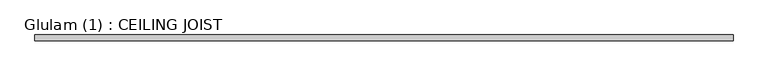
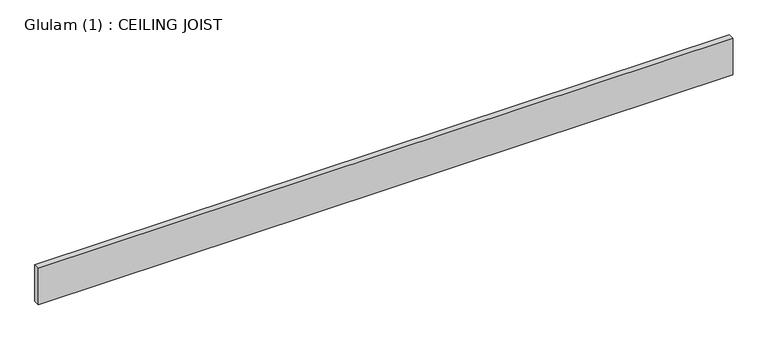
"""IFC4 building model written with IfcOpenShell, lengths in millimetres: beam geometry, Glulam (1) : CEILING JOIST."""

from ifc_helpers import new_model, si_unit, frame, origin, place, context, project, spatial, polyline, outline, extrude, source, transform, mapped, element, save


def glulam_1_ceiling_joist_3d217981(model_context):
    return source(origin(), model_context, "Body", "SweptSolid", [
        extrude(outline(polyline([(2615.0, 22.5), (2615.0, -22.5), (-2638.0, -22.5), (-2638.0, 22.5), (2615.0, 22.5)])), frame((0.0, 0.0, -145.0), z_axis=(0.0, 0.0, 1.0), x_axis=(1.0, 0.0, 0.0)), (0.0, 0.0, 1.0), 290.0),
    ])


if __name__ == "__main__":
    model = new_model("IFC4")
    model_context = context("Model", 3, world=origin())
    ifc_project = project(units=[si_unit("LENGTHUNIT", "METRE", prefix="MILLI")], contexts=[model_context])
    site = spatial("IfcSite", under=ifc_project)
    building = spatial("IfcBuilding", under=site)
    placement = place(None, origin())
    glulam_1_ceiling_joist_shape = glulam_1_ceiling_joist_3d217981(model_context)
    element("IfcBeam", 1, ObjectType="Glulam (1) : CEILING JOIST", at=placement, inside=building, context=model_context, shape_type="MappedRepresentation", body=[
        mapped(glulam_1_ceiling_joist_shape, transform((0.0, 0.0, 0.0), x_axis=(1.0, 0.0, 0.0), y_axis=(0.0, 1.0, 0.0), z_axis=(0.0, 0.0, 1.0))),
    ])
    save(model, "model.ifc")
